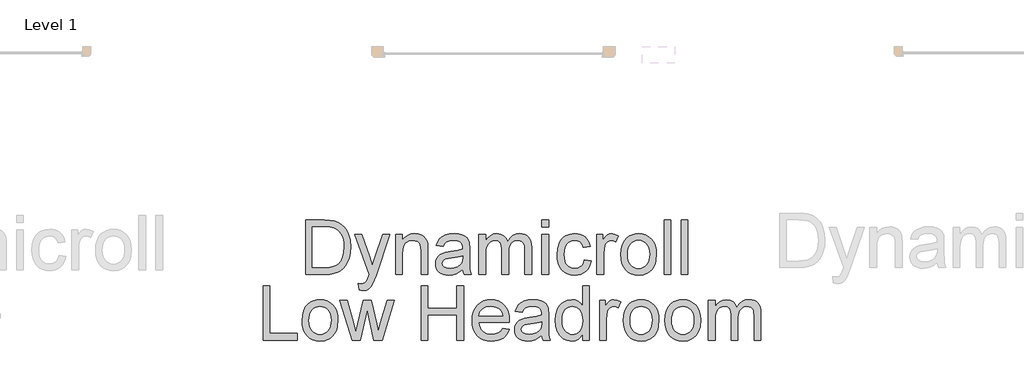
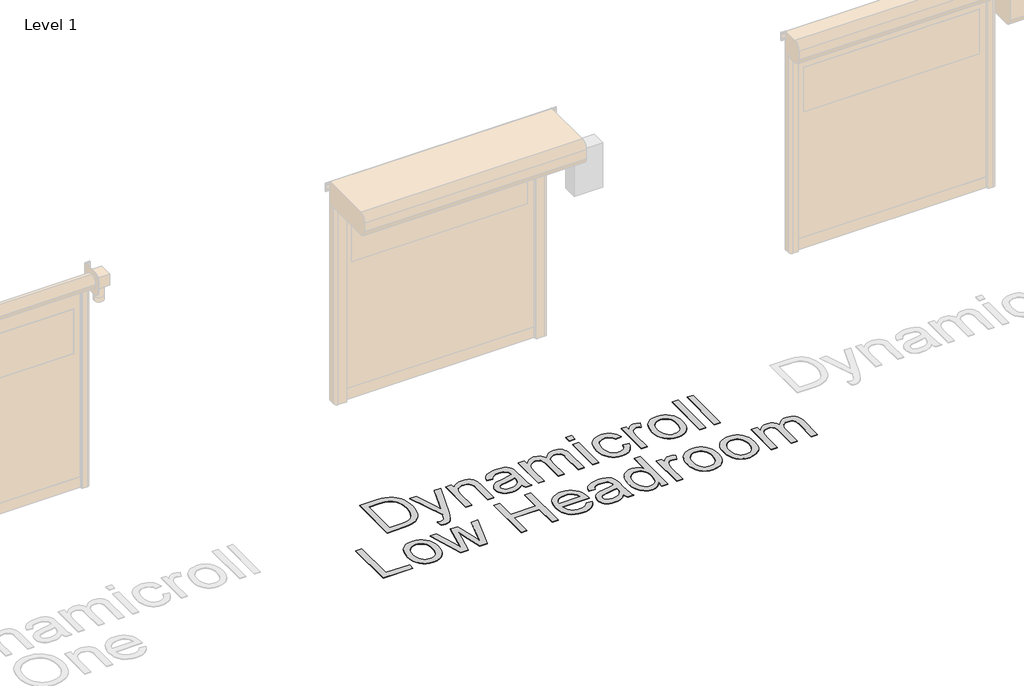
# One storey, part 14 of 18: 1 proxy.
"""IFC4 building model written with IfcOpenShell, lengths in millimetres."""

from ifc_helpers import new_model, si_unit, origin, origin_with_axes, place, context, project, spatial, polyline, outline, extrude, element, save

model = new_model("IFC4")

# Units and contexts
model_context = context("Model", 3, world=origin())
ifc_project = project(units=[si_unit("LENGTHUNIT", "METRE", prefix="MILLI")], contexts=[model_context])

# Site, building, storey
site = spatial("IfcSite", under=ifc_project)
building = spatial("IfcBuilding", under=site)
storey = spatial("IfcBuildingStorey", under=building, Name="Level 1", Elevation=0.0)

# Proxy
placement = place(None, origin())
element("IfcBuildingElementProxy", 1, Name="500mm", ObjectType="500mm", at=placement, inside=storey, context=model_context, shape_type="SweptSolid", body=[
    extrude(outline(polyline([(10253.8603048, 42591.1035648), (10253.8603048, 43093.3851155), (10427.1327245, 43093.3851155), (10478.9121153, 43091.5763624), (10516.773304, 43086.150103), (10556.8111278, 43072.201244), (10590.5949577, 43050.2202948), (10609.2113195, 43032.2553907), (10625.3291494, 43011.9605673), (10638.9484474, 42989.3358246), (10650.0692136, 42964.3811626), (10664.8764639, 42908.4017856), (10669.812214, 42844.9421415), (10666.4706192, 42791.0321008), (10656.4458348, 42743.5906518), (10641.178732, 42703.2002744), (10622.1101819, 42670.4434484), (10600.1598896, 42644.5844098), (10576.2475599, 42624.8873947), (10548.794366, 42610.2794138), (10516.221481, 42599.687478), (10478.4675912, 42593.2495431), (10435.4713831, 42591.1035648), (10253.8603048, 42591.1035648)]), holes=[polyline([(10316.6454986, 42653.8887586), (10427.7458612, 42653.8887586), (10473.7004537, 42656.1573643), (10508.5572728, 42662.9631812), (10534.8608354, 42673.9076705), (10555.1556588, 42688.5922935), (10576.9679955, 42715.7695759), (10593.3540727, 42750.9482917), (10603.6087833, 42794.2817251), (10607.0270201, 42845.9231601), (10605.3523906, 42882.3741345), (10600.3285022, 42914.3492112), (10591.9553547, 42941.8483904), (10580.2329482, 42964.8716719), (10566.1116445, 42983.940222), (10550.5418055, 42999.5752068), (10533.5234311, 43011.7766263), (10515.0565214, 43020.5444805), (10478.9427722, 43028.0860614), (10426.0290785, 43030.5999217), (10316.6454986, 43030.5999217), (10316.6454986, 42653.8887586)])]), origin_with_axes(), (0.0, 0.0, 1.0), 5.0),
    extrude(outline(polyline([(10748.2937063, 42449.8368787), (10740.4455571, 42510.2921532), (10772.3286633, 42504.7739233), (10789.0979509, 42506.5060343), (10802.1271049, 42511.7023675), (10812.2745166, 42519.9950408), (10820.3985773, 42531.0161723), (10837.5664038, 42577.2466763), (10842.4714971, 42592.4524654), (10709.0529601, 42959.9665786), (10775.2717193, 42959.9665786), (10846.0276897, 42755.1789346), (10870.6757834, 42673.2638771), (10895.323877, 42745.6140028), (10968.0418847, 42959.9665786), (11033.7701346, 42959.9665786), (10905.3793182, 42582.2743969), (10872.024684, 42500.3593393), (10854.9488281, 42474.2090608), (10835.6043665, 42456.0908726), (10813.1329079, 42445.5142652), (10786.6760611, 42441.9887294), (10768.4965592, 42443.9507667), (10748.2937063, 42449.8368787)])), origin_with_axes(), (0.0, 0.0, 1.0), 5.0),
    extrude(outline(polyline([(11085.7641232, 42591.1035648), (11085.7641232, 42959.9665786), (11148.549317, 42959.9665786), (11148.549317, 42908.4630993), (11170.3616537, 42934.4294368), (11196.5579174, 42952.9768207), (11227.1381083, 42964.1052511), (11262.1022262, 42967.8147279), (11293.0502991, 42964.8256867), (11321.3925411, 42955.858563), (11345.0289593, 42942.0323314), (11361.8595606, 42924.4659661), (11373.2792309, 42903.2054525), (11380.682856, 42878.2967757), (11383.993794, 42817.5962465), (11383.993794, 42591.1035648), (11321.2086001, 42591.1035648), (11321.2086001, 42809.1349606), (11319.399847, 42841.6005467), (11313.9735875, 42864.6851419), (11303.9641316, 42881.2245032), (11288.4057889, 42894.0543878), (11268.4635191, 42902.2857475), (11245.3022818, 42905.029534), (11226.2375638, 42903.4890282), (11208.5294107, 42898.8675106), (11192.1778224, 42891.1649813), (11177.182799, 42880.3814403), (11164.6556506, 42865.2906143), (11155.7076875, 42844.66623), (11150.3389097, 42818.5082873), (11148.549317, 42786.8167862), (11148.549317, 42591.1035648), (11085.7641232, 42591.1035648)])), origin_with_axes(), (0.0, 0.0, 1.0), 5.0),
    extrude(outline(polyline([(11705.7679124, 42638.1924602), (11675.7702014, 42612.4713774), (11644.8834422, 42595.6407761), (11612.4025277, 42586.3517557), (11577.6223508, 42583.2554156), (11549.6671512, 42585.1178182), (11525.1531812, 42590.705026), (11504.0804407, 42600.017039), (11486.4489296, 42613.0538572), (11472.5268954, 42628.9877461), (11462.5825852, 42646.9909712), (11456.6159991, 42667.0635326), (11454.627137, 42689.2054302), (11457.6315067, 42715.2330813), (11466.6446155, 42738.8694995), (11480.5474893, 42759.1030093), (11498.2211535, 42774.9219351), (11518.9911578, 42786.8780999), (11542.1830519, 42795.5233268), (11596.5069598, 42804.9656313), (11660.702368, 42814.8984452), (11705.4000304, 42826.5480417), (11705.7679124, 42840.5275575), (11701.445299, 42868.5479028), (11688.4774586, 42886.8806889), (11675.4023194, 42894.8208087), (11659.4760947, 42900.4923227), (11619.0703889, 42905.029534), (11581.6690527, 42902.009836), (11555.549431, 42892.9507418), (11537.7378111, 42876.1967826), (11525.2604801, 42850.0924894), (11462.4752863, 42857.9406386), (11473.3737904, 42892.2762915), (11489.6372402, 42919.2543045), (11512.7831491, 42939.8863531), (11544.3290302, 42955.1841127), (11582.9106544, 42964.6570741), (11627.1637928, 42967.8147279), (11669.608178, 42965.0249561), (11703.2540521, 42956.6556407), (11728.6225814, 42944.0710108), (11746.2349319, 42928.6352954), (11757.9151852, 42909.5514169), (11765.487423, 42886.0222976), (11768.5531063, 42831.085253), (11768.5531063, 42752.9716427), (11771.7414169, 42643.8946311), (11776.4625691, 42616.9319465), (11784.2494047, 42591.1035648), (11721.4642109, 42591.1035648), (11711.4087697, 42612.9312298), (11705.7679124, 42638.1924602)]), holes=[polyline([(11705.7679124, 42763.7628479), (11663.5841103, 42753.3088678), (11604.4777364, 42744.5103568), (11550.4603968, 42734.3322883), (11536.4042389, 42727.3731872), (11525.9962441, 42717.7775985), (11519.5583092, 42706.2812861), (11517.4123309, 42693.6200141), (11522.0874979, 42674.9500029), (11536.112999, 42659.6522432), (11559.1822657, 42649.4435179), (11590.9887299, 42646.0406094), (11624.7112461, 42649.7960714), (11654.5096877, 42661.0624575), (11678.6672721, 42677.6631326), (11695.4672165, 42697.4214614), (11702.9168269, 42717.7775985), (11705.4000304, 42745.9818848), (11705.7679124, 42763.7628479)])]), origin_with_axes(), (0.0, 0.0, 1.0), 5.0),
    extrude(outline(polyline([(11854.8827478, 42591.1035648), (11854.8827478, 42959.9665786), (11917.6679416, 42959.9665786), (11917.6679416, 42899.2660494), (11936.5525507, 42927.148439), (11960.8327624, 42948.9914324), (11989.6808422, 42963.108904), (12022.2690556, 42967.8147279), (12057.1871883, 42963.0169335), (12085.1768768, 42948.6235504), (12106.0848368, 42925.5849405), (12119.7577843, 42894.8514655), (12142.6431101, 42926.7728928), (12168.7474033, 42949.5739123), (12198.070664, 42963.254524), (12230.6128922, 42967.8147279), (12255.7476631, 42965.9178363), (12277.8090865, 42960.2271617), (12296.7971624, 42950.742704), (12312.7118908, 42937.4644633), (12325.2926886, 42920.2391553), (12334.2789728, 42898.9134958), (12339.6707432, 42873.487485), (12341.4680001, 42843.9611228), (12341.4680001, 42591.1035648), (12278.6828062, 42591.1035648), (12278.6828062, 42816.9831098), (12277.2266067, 42848.2990647), (12272.858008, 42869.4062942), (12264.6726336, 42883.8609909), (12251.7661069, 42895.2193475), (12235.1654319, 42902.5769874), (12215.8976124, 42905.029534), (12198.105153, 42903.4583713), (12181.8838562, 42898.7448833), (12167.2337222, 42890.8890698), (12154.1547509, 42879.890931), (12143.3980346, 42865.4285701), (12135.7146659, 42847.1800903), (12131.1046446, 42825.1454916), (12129.5679709, 42799.3247741), (12129.5679709, 42591.1035648), (12066.782777, 42591.1035648), (12066.782777, 42823.9728677), (12063.1499423, 42859.4734803), (12052.2514382, 42884.7960243), (12043.8246412, 42893.6481848), (12033.0755892, 42899.9711566), (12004.6107198, 42905.029534), (11980.4224786, 42901.6572824), (11958.1349611, 42891.5405275), (11939.7408613, 42874.9245241), (11927.2328735, 42852.0545267), (11920.0591746, 42820.3247046), (11917.6679416, 42777.129227), (11917.6679416, 42591.1035648), (11854.8827478, 42591.1035648)])), origin_with_axes(), (0.0, 0.0, 1.0), 5.0),
    extrude(outline(polyline([(12435.6457908, 43030.5999217), (12435.6457908, 43093.3851155), (12498.4309847, 43093.3851155), (12498.4309847, 43030.5999217), (12435.6457908, 43030.5999217)])), origin_with_axes(), (0.0, 0.0, 1.0), 5.0),
    extrude(outline(polyline([(12435.6457908, 42591.1035648), (12435.6457908, 42959.9665786), (12498.4309847, 42959.9665786), (12498.4309847, 42591.1035648), (12435.6457908, 42591.1035648)])), origin_with_axes(), (0.0, 0.0, 1.0), 5.0),
    extrude(outline(polyline([(12828.0532524, 42724.5221017), (12890.8384462, 42716.6739525), (12884.0096367, 42687.0479556), (12873.3333946, 42660.8325313), (12858.80972, 42638.0276797), (12840.4386129, 42618.6334008), (12818.9941582, 42603.1555322), (12795.2504411, 42592.0999119), (12769.2074615, 42585.4665396), (12740.8652195, 42583.2554156), (12705.6520148, 42586.3402594), (12674.079309, 42595.5947908), (12646.1471021, 42611.0190099), (12621.8553941, 42632.6129166), (12602.1928678, 42659.9703079), (12588.1482063, 42692.6849807), (12579.7214093, 42730.7569351), (12576.912477, 42774.1861711), (12581.7102713, 42830.0582491), (12596.1036544, 42878.4807167), (12606.9561733, 42899.4308299), (12620.3225524, 42917.5835071), (12636.2027919, 42932.9387483), (12654.5968916, 42945.4965535), (12695.6004057, 42962.2351843), (12740.0068282, 42967.8147279), (12767.862393, 42965.8986758), (12793.0584776, 42960.1505196), (12815.5950819, 42950.5702593), (12835.4722059, 42937.1578949), (12852.3526246, 42920.2199947), (12865.8991126, 42900.0631271), (12876.1116701, 42876.687292), (12882.990297, 42850.0924894), (12820.2051031, 42842.2443402), (12808.8160897, 42869.6362204), (12791.0811118, 42889.2719219), (12767.9811882, 42901.090131), (12740.4973375, 42905.029534), (12719.1640139, 42903.0904893), (12699.9230191, 42897.2733553), (12682.7743532, 42887.5781319), (12667.7180161, 42874.0048191), (12655.4591151, 42856.2391844), (12646.7027572, 42833.9669953), (12641.4489424, 42807.1882517), (12639.6976708, 42775.9029537), (12641.4106214, 42744.1463069), (12646.549473, 42717.0571629), (12655.1142257, 42694.6355217), (12667.1048795, 42676.8813833), (12681.8623124, 42663.3885447), (12698.7274026, 42653.7508029), (12717.7001501, 42647.9681578), (12738.7805549, 42646.0406094), (12771.2921262, 42650.8537322), (12797.9482424, 42665.2931005), (12808.7279513, 42676.2145972), (12817.3386893, 42689.7265963), (12828.0532524, 42724.5221017)])), origin_with_axes(), (0.0, 0.0, 1.0), 5.0),
    extrude(outline(polyline([(12945.7754908, 42591.1035648), (12945.7754908, 42959.9665786), (13000.7125354, 42959.9665786), (13000.7125354, 42905.397416), (13021.0073588, 42937.0352676), (13039.7080269, 42955.674622), (13058.4700087, 42964.7797014), (13078.9487731, 42967.8147279), (13110.2187427, 42962.9709483), (13141.9792216, 42948.4396094), (13121.0099479, 42892.1536642), (13098.9370281, 42901.8105666), (13076.8641084, 42905.029534), (13058.1174551, 42901.9331939), (13041.3634959, 42892.6441735), (13027.8285042, 42877.86758), (13018.7387532, 42858.3085206), (13011.1052018, 42823.2371038), (13008.5606847, 42784.9773763), (13008.5606847, 42591.1035648), (12945.7754908, 42591.1035648)])), origin_with_axes(), (0.0, 0.0, 1.0), 5.0),
    extrude(outline(polyline([(13165.5236693, 42775.5350717), (13168.9189135, 42823.3060816), (13179.1046463, 42864.470544), (13196.0808675, 42899.028459), (13219.8475772, 42926.9798264), (13243.7752353, 42944.8450958), (13270.1860969, 42957.6060025), (13299.0801619, 42965.2625465), (13330.4574304, 42967.8147279), (13365.0958195, 42964.7068914), (13396.4156065, 42955.3833821), (13424.4167913, 42939.8441999), (13449.0993739, 42918.0893448), (13469.2447452, 42890.8545809), (13483.6342962, 42858.875672), (13492.2680268, 42822.1526183), (13495.1459369, 42780.6854196), (13490.0569027, 42717.2564323), (13483.6956098, 42691.2211169), (13474.7897999, 42668.9719204), (13463.4506038, 42649.7539183), (13449.7891526, 42632.812186), (13433.8054464, 42618.1467235), (13415.499485, 42605.7575309), (13374.7718824, 42588.8809444), (13330.4574304, 42583.2554156), (13295.3132036, 42586.3517557), (13263.7021767, 42595.6407761), (13235.6243499, 42611.1224767), (13211.079723, 42632.7968576), (13191.1489495, 42660.2960367), (13176.9126827, 42693.2521321), (13168.3709226, 42731.6651438), (13165.5236693, 42775.5350717)]), holes=[polyline([(13228.3088631, 42775.657699), (13230.1252805, 42745.2039676), (13235.5745325, 42718.8352592), (13244.6566193, 42696.5515738), (13257.3715407, 42678.3529113), (13272.8379129, 42664.2162792), (13290.174352, 42654.1186849), (13309.3808578, 42648.0601283), (13330.4574304, 42646.0406094), (13351.4267042, 42648.0716246), (13370.5565679, 42654.1646701), (13387.8470217, 42664.319746), (13403.2980655, 42678.5368523), (13416.0129869, 42696.9156237), (13425.0950737, 42719.5556948), (13430.5443258, 42746.4570657), (13432.3607431, 42777.6197364), (13430.5328294, 42807.1077775), (13425.0490885, 42832.7867072), (13415.9095201, 42854.6565254), (13403.1141245, 42872.7172321), (13387.6055991, 42886.8538642), (13370.3266417, 42896.9514585), (13351.2772521, 42903.0100151), (13330.4574304, 42905.029534), (13309.3808578, 42903.0176794), (13290.174352, 42896.9821154), (13272.8379129, 42886.9228421), (13257.3715407, 42872.8398594), (13244.6566193, 42854.6948464), (13235.5745325, 42832.4494821), (13230.1252805, 42806.1037663), (13228.3088631, 42775.657699)])]), origin_with_axes(), (0.0, 0.0, 1.0), 5.0),
    extrude(outline(polyline([(13565.77928, 42591.1035648), (13565.77928, 43093.3851155), (13628.5644739, 43093.3851155), (13628.5644739, 42591.1035648), (13565.77928, 42591.1035648)])), origin_with_axes(), (0.0, 0.0, 1.0), 5.0),
    extrude(outline(polyline([(13722.7422646, 42591.1035648), (13722.7422646, 43093.3851155), (13785.5274585, 43093.3851155), (13785.5274585, 42591.1035648), (13722.7422646, 42591.1035648)])), origin_with_axes(), (0.0, 0.0, 1.0), 5.0),
    extrude(outline(polyline([(9861.4528433, 41981.2294756), (9861.4528433, 42483.5110263), (9924.2380371, 42483.5110263), (9924.2380371, 42044.0146694), (10175.3788125, 42044.0146694), (10175.3788125, 41981.2294756), (9861.4528433, 41981.2294756)])), origin_with_axes(), (0.0, 0.0, 1.0), 5.0),
    extrude(outline(polyline([(10222.4677079, 42165.6609825), (10225.8629521, 42213.4319924), (10236.0486848, 42254.5964548), (10253.0249061, 42289.1543697), (10276.7916158, 42317.1057372), (10300.7192739, 42334.9710066), (10327.1301355, 42347.7319133), (10356.0242005, 42355.3884573), (10387.401469, 42357.9406386), (10422.0398581, 42354.8328022), (10453.3596451, 42345.5092929), (10481.3608299, 42329.9701107), (10506.0434125, 42308.2152556), (10526.1887838, 42280.9804917), (10540.5783348, 42249.0015828), (10549.2120653, 42212.2785291), (10552.0899755, 42170.8113304), (10547.0009413, 42107.3823431), (10540.6396484, 42081.3470277), (10531.7338385, 42059.0978312), (10520.3946424, 42039.8798291), (10506.7331912, 42022.9380968), (10490.7494849, 42008.2726343), (10472.4435236, 41995.8834417), (10431.715921, 41979.0068552), (10387.401469, 41973.3813263), (10352.2572422, 41976.4776665), (10320.6462153, 41985.7666868), (10292.5683885, 42001.2483875), (10268.0237616, 42022.9227684), (10248.0929881, 42050.4219475), (10233.8567213, 42083.3780429), (10225.3149612, 42121.7910546), (10222.4677079, 42165.6609825)]), holes=[polyline([(10285.2529017, 42165.7836098), (10287.0693191, 42135.3298784), (10292.5185711, 42108.96117), (10301.6006579, 42086.6774845), (10314.3155793, 42068.4788221), (10329.7819515, 42054.34219), (10347.1183906, 42044.2445957), (10366.3248964, 42038.1860391), (10387.401469, 42036.1665202), (10408.3707428, 42038.1975354), (10427.5006065, 42044.2905809), (10444.7910603, 42054.4456568), (10460.2421041, 42068.6627631), (10472.9570255, 42087.0415344), (10482.0391123, 42109.6816056), (10487.4883643, 42136.5829765), (10489.3047817, 42167.7456471), (10487.476868, 42197.2336883), (10481.993127, 42222.912618), (10472.8535587, 42244.7824362), (10460.0581631, 42262.8431429), (10444.5496377, 42276.979775), (10427.2706803, 42287.0773693), (10408.2212907, 42293.1359259), (10387.401469, 42295.1554448), (10366.3248964, 42293.1435901), (10347.1183906, 42287.1080261), (10329.7819515, 42277.0487528), (10314.3155793, 42262.9657702), (10301.6006579, 42244.8207572), (10292.5185711, 42222.5753928), (10287.0693191, 42196.229677), (10285.2529017, 42165.7836098)])]), origin_with_axes(), (0.0, 0.0, 1.0), 5.0),
    extrude(outline(polyline([(10683.9143571, 41981.2294756), (10571.7103486, 42350.0924894), (10636.9480891, 42350.0924894), (10700.5916743, 42134.8815222), (10719.5989107, 42057.9941852), (10735.1725818, 42132.0610936), (10785.8176698, 42350.0924894), (10860.6203422, 42350.0924894), (10911.0201755, 42132.6742303), (10924.877064, 42065.5970798), (10944.7426917, 42136.3530502), (11008.5089042, 42350.0924894), (11073.9918994, 42350.0924894), (10960.9294995, 41981.2294756), (10885.0231812, 41981.2294756), (10836.8306398, 42197.5440887), (10822.851124, 42264.9891212), (10760.6790668, 41981.2294756), (10683.9143571, 41981.2294756)])), origin_with_axes(), (0.0, 0.0, 1.0), 5.0),
    extrude(outline(polyline([(11321.2086001, 41981.2294756), (11321.2086001, 42483.5110263), (11383.993794, 42483.5110263), (11383.993794, 42279.4591463), (11650.8308678, 42279.4591463), (11650.8308678, 42483.5110263), (11713.6160616, 42483.5110263), (11713.6160616, 41981.2294756), (11650.8308678, 41981.2294756), (11650.8308678, 42216.6739525), (11383.993794, 42216.6739525), (11383.993794, 41981.2294756), (11321.2086001, 41981.2294756)])), origin_with_axes(), (0.0, 0.0, 1.0), 5.0),
    extrude(outline(polyline([(12073.8951622, 42091.1035648), (12135.4540828, 42083.2554156), (12126.0156103, 42058.5996577), (12113.2738641, 42036.8716273), (12097.2288442, 42018.0713245), (12077.8805505, 42002.1987493), (12055.4282525, 41989.5911268), (12030.0712196, 41980.5856821), (12001.8094517, 41975.1824153), (11970.6429489, 41973.3813263), (11931.6857785, 41976.4891628), (11896.9745794, 41985.8126721), (11866.5093517, 42001.3518543), (11840.2900953, 42023.1067094), (11819.2058585, 42050.4717649), (11804.1456893, 42082.8415483), (11795.1095878, 42120.2160598), (11792.0975539, 42162.5952992), (11795.1402446, 42206.4115777), (11804.2683166, 42245.0315229), (11819.48177, 42278.4551351), (11840.7806046, 42306.682414), (11866.9308831, 42329.1078873), (11896.6986679, 42345.1260825), (11930.083959, 42354.7369996), (11967.0867563, 42357.9406386), (12002.8977693, 42354.7446638), (12035.2828812, 42345.1567393), (12064.242092, 42329.1768651), (12089.7754017, 42306.8050413), (12110.618216, 42278.639076), (12125.5059405, 42245.2767776), (12134.4385752, 42206.718146), (12137.4161201, 42162.9631812), (12137.0482381, 42146.0406094), (11854.8827478, 42146.0406094), (11858.5194146, 42120.9863127), (11865.7505951, 42099.0436845), (11876.5762892, 42080.2127249), (11890.996497, 42064.4934338), (11908.2141408, 42052.1004091), (11927.4321429, 42043.2482486), (11948.6505034, 42037.9369523), (11971.8692223, 42036.1665202), (12005.2851701, 42039.4468013), (12033.4281428, 42049.2876447), (12056.2981401, 42066.302187), (12073.8951622, 42091.1035648)]), holes=[polyline([(11854.8827478, 42208.8258033), (12074.6309262, 42208.8258033), (12066.1389835, 42241.9964965), (12049.4923232, 42265.7248852), (12032.370482, 42278.600755), (12012.8880647, 42287.7978049), (11991.0450713, 42293.3160348), (11966.8415017, 42295.1554448), (11924.5197438, 42289.2846613), (11906.1064835, 42281.9461819), (11889.524969, 42271.6723108), (11875.610599, 42258.9382288), (11865.1987721, 42244.2191169), (11858.2894883, 42227.514975), (11854.8827478, 42208.8258033)])]), origin_with_axes(), (0.0, 0.0, 1.0), 5.0),
    extrude(outline(polyline([(12435.6457908, 42028.318371), (12405.6480798, 42002.5972881), (12374.7613206, 41985.7666868), (12342.2804061, 41976.4776665), (12307.5002292, 41973.3813263), (12279.5450297, 41975.2437289), (12255.0310596, 41980.8309367), (12233.9583191, 41990.1429497), (12216.326808, 42003.179768), (12202.4047738, 42019.1136569), (12192.4604636, 42037.116882), (12186.4938775, 42057.1894434), (12184.5050155, 42079.331341), (12187.5093851, 42105.3589921), (12196.522494, 42128.9954103), (12210.4253677, 42149.22892), (12228.0990319, 42165.0478458), (12248.8690362, 42177.0040107), (12272.0609303, 42185.6492376), (12326.3848383, 42195.0915421), (12390.5802464, 42205.024356), (12435.2779088, 42216.6739525), (12435.6457908, 42230.6534683), (12431.3231774, 42258.6738136), (12418.3553371, 42277.0065997), (12405.2801978, 42284.9467194), (12389.3539731, 42290.6182335), (12348.9482673, 42295.1554448), (12311.5469311, 42292.1357467), (12285.4273095, 42283.0766526), (12267.6156895, 42266.3226934), (12255.1383585, 42240.2184002), (12192.3531647, 42248.0665494), (12203.2516688, 42282.4022023), (12219.5151187, 42309.3802153), (12242.6610275, 42330.0122638), (12274.2069086, 42345.3100235), (12312.7885329, 42354.7829848), (12357.0416712, 42357.9406386), (12399.4860564, 42355.1508668), (12433.1319305, 42346.7815514), (12458.5004598, 42334.1969215), (12476.1128103, 42318.7612061), (12487.7930637, 42299.6773276), (12495.3653014, 42276.1482084), (12498.4309847, 42221.2111638), (12498.4309847, 42143.0975535), (12501.6192953, 42034.0205419), (12506.3404476, 42007.0578573), (12514.1272831, 41981.2294756), (12451.3420893, 41981.2294756), (12441.2866481, 42003.0571406), (12435.6457908, 42028.318371)]), holes=[polyline([(12435.6457908, 42153.8887586), (12393.4619887, 42143.4347786), (12334.3556148, 42134.6362676), (12280.3382752, 42124.458199), (12266.2821173, 42117.499098), (12255.8741225, 42107.9035092), (12249.4361876, 42096.4071969), (12247.2902093, 42083.7459249), (12251.9653763, 42065.0759136), (12265.9908774, 42049.778154), (12289.0601442, 42039.5694286), (12320.8666083, 42036.1665202), (12354.5891246, 42039.9219822), (12384.3875662, 42051.1883683), (12408.5451505, 42067.7890434), (12425.345095, 42087.5473722), (12432.7947054, 42107.9035092), (12435.2779088, 42136.1077955), (12435.6457908, 42153.8887586)])]), origin_with_axes(), (0.0, 0.0, 1.0), 5.0),
    extrude(outline(polyline([(12812.3569539, 41981.2294756), (12812.3569539, 42040.4584768), (12793.5719795, 42011.1122235), (12770.8169453, 41990.150614), (12744.0918512, 41977.5736482), (12713.3966972, 41973.3813263), (12672.8070504, 41979.4513793), (12635.6509689, 41997.661538), (12604.1970583, 42026.7395441), (12580.7139243, 42065.4131388), (12566.090615, 42112.1188238), (12561.2161785, 42165.2931005), (12565.7074046, 42217.8082553), (12579.1810826, 42265.2343759), (12589.2825091, 42286.3645979), (12601.6218843, 42304.8736608), (12616.1992084, 42320.7615645), (12633.0144813, 42334.0283089), (12670.9829688, 42351.9625562), (12713.1514425, 42357.9406386), (12743.8695891, 42353.6640104), (12771.0315431, 42340.8341259), (12794.0548246, 42321.1677675), (12812.3569539, 42296.3817181), (12812.3569539, 42483.5110263), (12875.1421477, 42483.5110263), (12875.1421477, 41981.2294756), (12812.3569539, 41981.2294756)]), holes=[polyline([(12624.0013724, 42165.5383552), (12625.7718045, 42135.092288), (12631.0831008, 42108.7465722), (12639.9352613, 42086.5012078), (12652.328286, 42068.3561948), (12667.1278721, 42054.2732121), (12683.1997168, 42044.2139388), (12700.54382, 42038.1783748), (12719.1601818, 42036.1665202), (12737.864682, 42038.0864043), (12755.1053184, 42043.8460568), (12770.882091, 42053.4454776), (12785.1949999, 42066.8846668), (12797.0783548, 42084.2709232), (12805.5664654, 42105.7115457), (12810.6593318, 42131.2065344), (12812.3569539, 42160.7558892), (12810.6286749, 42193.1524974), (12805.4438381, 42220.9352523), (12796.8024433, 42244.1041538), (12784.7044906, 42262.6592019), (12770.0773492, 42276.8763082), (12753.8483883, 42287.0313841), (12736.0176078, 42293.1244296), (12716.5850078, 42295.1554448), (12697.600764, 42293.2049038), (12680.2566608, 42287.3532808), (12664.5526981, 42277.6005758), (12650.488876, 42263.9467889), (12638.9005932, 42246.0930158), (12630.6232483, 42223.7403525), (12625.6568413, 42196.8887989), (12624.0013724, 42165.5383552)])]), origin_with_axes(), (0.0, 0.0, 1.0), 5.0),
    extrude(outline(polyline([(12969.3199385, 41981.2294756), (12969.3199385, 42350.0924894), (13024.2569831, 42350.0924894), (13024.2569831, 42295.5233268), (13044.5518065, 42327.1611784), (13063.2524746, 42345.8005328), (13082.0144564, 42354.9056122), (13102.4932208, 42357.9406386), (13133.7631904, 42353.096859), (13165.5236693, 42338.5655202), (13144.5543955, 42282.279575), (13122.4814758, 42291.9364773), (13100.4085561, 42295.1554448), (13081.6619028, 42292.0591047), (13064.9079436, 42282.7700843), (13051.3729519, 42267.9934908), (13042.2832009, 42248.4344314), (13034.6496495, 42213.3630145), (13032.1051324, 42175.103287), (13032.1051324, 41981.2294756), (12969.3199385, 41981.2294756)])), origin_with_axes(), (0.0, 0.0, 1.0), 5.0),
    extrude(outline(polyline([(13189.068117, 42165.6609825), (13192.4633612, 42213.4319924), (13202.649094, 42254.5964548), (13219.6253152, 42289.1543697), (13243.3920249, 42317.1057372), (13267.319683, 42334.9710066), (13293.7305446, 42347.7319133), (13322.6246096, 42355.3884573), (13354.0018781, 42357.9406386), (13388.6402672, 42354.8328022), (13419.9600542, 42345.5092929), (13447.961239, 42329.9701107), (13472.6438216, 42308.2152556), (13492.7891929, 42280.9804917), (13507.1787439, 42249.0015828), (13515.8124744, 42212.2785291), (13518.6903846, 42170.8113304), (13513.6013504, 42107.3823431), (13507.2400575, 42081.3470277), (13498.3342476, 42059.0978312), (13486.9950515, 42039.8798291), (13473.3336003, 42022.9380968), (13457.349894, 42008.2726343), (13439.0439327, 41995.8834417), (13398.3163301, 41979.0068552), (13354.0018781, 41973.3813263), (13318.8576513, 41976.4776665), (13287.2466244, 41985.7666868), (13259.1687976, 42001.2483875), (13234.6241707, 42022.9227684), (13214.6933972, 42050.4219475), (13200.4571304, 42083.3780429), (13191.9153703, 42121.7910546), (13189.068117, 42165.6609825)]), holes=[polyline([(13251.8533108, 42165.7836098), (13253.6697282, 42135.3298784), (13259.1189802, 42108.96117), (13268.201067, 42086.6774845), (13280.9159884, 42068.4788221), (13296.3823606, 42054.34219), (13313.7187997, 42044.2445957), (13332.9253055, 42038.1860391), (13354.0018781, 42036.1665202), (13374.9711519, 42038.1975354), (13394.1010156, 42044.2905809), (13411.3914694, 42054.4456568), (13426.8425132, 42068.6627631), (13439.5574346, 42087.0415344), (13448.6395214, 42109.6816056), (13454.0887734, 42136.5829765), (13455.9051908, 42167.7456471), (13454.0772771, 42197.2336883), (13448.5935361, 42222.912618), (13439.4539678, 42244.7824362), (13426.6585722, 42262.8431429), (13411.1500468, 42276.979775), (13393.8710894, 42287.0773693), (13374.8216998, 42293.1359259), (13354.0018781, 42295.1554448), (13332.9253055, 42293.1435901), (13313.7187997, 42287.1080261), (13296.3823606, 42277.0487528), (13280.9159884, 42262.9657702), (13268.201067, 42244.8207572), (13259.1189802, 42222.5753928), (13253.6697282, 42196.229677), (13251.8533108, 42165.7836098)])]), origin_with_axes(), (0.0, 0.0, 1.0), 5.0),
    extrude(outline(polyline([(13573.6274293, 42165.6609825), (13577.0226735, 42213.4319924), (13587.2084062, 42254.5964548), (13604.1846275, 42289.1543697), (13627.9513372, 42317.1057372), (13651.8789953, 42334.9710066), (13678.2898569, 42347.7319133), (13707.1839219, 42355.3884573), (13738.5611904, 42357.9406386), (13773.1995795, 42354.8328022), (13804.5193665, 42345.5092929), (13832.5205513, 42329.9701107), (13857.2031339, 42308.2152556), (13877.3485052, 42280.9804917), (13891.7380562, 42249.0015828), (13900.3717867, 42212.2785291), (13903.2496969, 42170.8113304), (13898.1606627, 42107.3823431), (13891.7993698, 42081.3470277), (13882.8935599, 42059.0978312), (13871.5543638, 42039.8798291), (13857.8929126, 42022.9380968), (13841.9092063, 42008.2726343), (13823.603245, 41995.8834417), (13782.8756424, 41979.0068552), (13738.5611904, 41973.3813263), (13703.4169636, 41976.4776665), (13671.8059367, 41985.7666868), (13643.7281099, 42001.2483875), (13619.183483, 42022.9227684), (13599.2527095, 42050.4219475), (13585.0164427, 42083.3780429), (13576.4746826, 42121.7910546), (13573.6274293, 42165.6609825)]), holes=[polyline([(13636.4126231, 42165.7836098), (13638.2290404, 42135.3298784), (13643.6782925, 42108.96117), (13652.7603793, 42086.6774845), (13665.4753007, 42068.4788221), (13680.9416729, 42054.34219), (13698.278112, 42044.2445957), (13717.4846178, 42038.1860391), (13738.5611904, 42036.1665202), (13759.5304641, 42038.1975354), (13778.6603279, 42044.2905809), (13795.9507817, 42054.4456568), (13811.4018255, 42068.6627631), (13824.1167469, 42087.0415344), (13833.1988337, 42109.6816056), (13838.6480857, 42136.5829765), (13840.4645031, 42167.7456471), (13838.6365894, 42197.2336883), (13833.1528484, 42222.912618), (13824.0132801, 42244.7824362), (13811.2178845, 42262.8431429), (13795.7093591, 42276.979775), (13778.4304017, 42287.0773693), (13759.3810121, 42293.1359259), (13738.5611904, 42295.1554448), (13717.4846178, 42293.1435901), (13698.278112, 42287.1080261), (13680.9416729, 42277.0487528), (13665.4753007, 42262.9657702), (13652.7603793, 42244.8207572), (13643.6782925, 42222.5753928), (13638.2290404, 42196.229677), (13636.4126231, 42165.7836098)])]), origin_with_axes(), (0.0, 0.0, 1.0), 5.0),
    extrude(outline(polyline([(13973.88304, 41981.2294756), (13973.88304, 42350.0924894), (14036.6682338, 42350.0924894), (14036.6682338, 42289.3919602), (14055.5528429, 42317.2743498), (14079.8330546, 42339.1173432), (14108.6811344, 42353.2348148), (14141.2693478, 42357.9406386), (14176.1874805, 42353.1428443), (14204.177169, 42338.7494612), (14225.085129, 42315.7108513), (14238.7580765, 42284.9773763), (14261.6434023, 42316.8988035), (14287.7476956, 42339.699823), (14317.0709563, 42353.3804347), (14349.6131844, 42357.9406386), (14374.7479553, 42356.0437471), (14396.8093787, 42350.3530725), (14415.7974546, 42340.8686148), (14431.712183, 42327.590374), (14444.2929808, 42310.365066), (14453.279265, 42289.0394066), (14458.6710355, 42263.6133958), (14460.4682923, 42234.0870336), (14460.4682923, 41981.2294756), (14397.6830984, 41981.2294756), (14397.6830984, 42207.1090206), (14396.2268989, 42238.4249755), (14391.8583002, 42259.5322049), (14383.6729258, 42273.9869017), (14370.7663991, 42285.3452583), (14354.1657241, 42292.7028982), (14334.8979046, 42295.1554448), (14317.1054452, 42293.5842821), (14300.8841485, 42288.870794), (14286.2340144, 42281.0149806), (14273.1550431, 42270.0168418), (14262.3983268, 42255.5544809), (14254.7149581, 42237.306001), (14250.1049368, 42215.2714024), (14248.5682631, 42189.4506848), (14248.5682631, 41981.2294756), (14185.7830692, 41981.2294756), (14185.7830692, 42214.0987785), (14182.1502345, 42249.5993911), (14171.2517304, 42274.9219351), (14162.8249335, 42283.7740956), (14152.0758814, 42290.0970674), (14123.611012, 42295.1554448), (14099.4227709, 42291.7831932), (14077.1352533, 42281.6664383), (14058.7411536, 42265.0504349), (14046.2331657, 42242.1804375), (14039.0594668, 42210.4506154), (14036.6682338, 42167.2551378), (14036.6682338, 41981.2294756), (13973.88304, 41981.2294756)])), origin_with_axes(), (0.0, 0.0, 1.0), 5.0),
])

save(model, "model.ifc")
